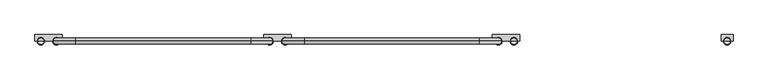
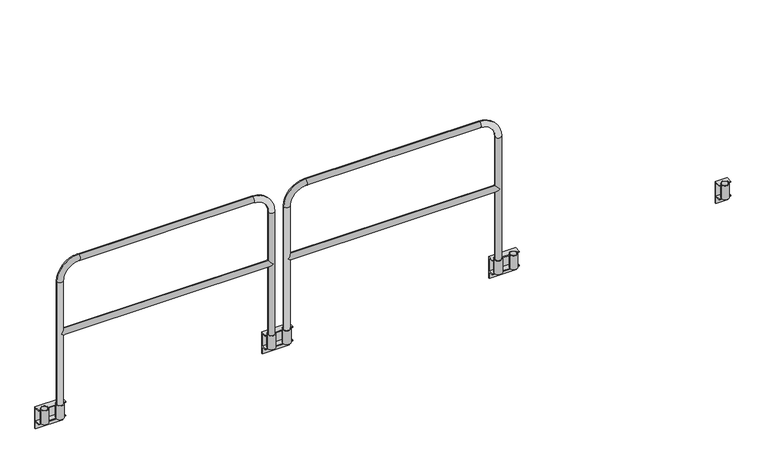
"""IFC4 building model written with IfcOpenShell, lengths in millimetres: railing geometry."""

from ifc_helpers import new_model, si_unit, point, frame, frame_2d, origin, place, context, project, spatial, polyline, circle_curve, ellipse_curve, trimmed, segment, composite_curve, outline, extrude, source, transform, mapped, element, save
from ifc_brep_helpers import plane_surface, cylinder_surface, revolved_surface, advanced_brep


def railing_9913ed40(model_context):
    return source(origin(), model_context, "Body", "SolidModel", [
        advanced_brep(
        [(44917.043726, 15479.1551937, 0.0), (44917.043726, 15479.1551937, -95.25), (44917.043726, 15441.0551937, -95.25), (44917.043726, 15441.0551937, -101.6), (44917.043726, 15479.1551937, -101.6), (44917.043726, 15479.1551937, -152.4), (44917.043726, 15485.5051937, -152.4), (44917.043726, 15485.5051937, 6.35), (44917.043726, 15441.0551937, 6.35), (44917.043726, 15441.0551937, 0.0), (44726.543726, 15479.1551937, 0.0), (44726.543726, 15441.0551937, 0.0), (44726.543726, 15441.0551937, 6.35), (44726.543726, 15485.5051937, 6.35), (44726.543726, 15485.5051937, -152.4), (44726.543726, 15479.1551937, -152.4), (44726.543726, 15479.1551937, -101.6), (44726.543726, 15441.0551937, -101.6), (44726.543726, 15441.0551937, -95.25), (44726.543726, 15479.1551937, -95.25), (44740.9246893, 15441.0551937, 0.0), (44740.9246893, 15441.0551937, 6.35), (44848.6877627, 15441.0551937, 6.35), (44794.8996893, 15441.0551937, 6.35), (44794.8996893, 15441.0551937, 0.0), (44848.6877627, 15441.0551937, 0.0), (44902.6627627, 15441.0551937, 6.35), (44902.6627627, 15441.0551937, 0.0), (44740.9246893, 15441.0551937, -95.25), (44794.8996893, 15441.0551937, -95.25), (44848.6877627, 15441.0551937, -95.25), (44902.6627627, 15441.0551937, -95.25)],
        [
            (0, 1),
            (1, 2),
            (2, 3),
            (3, 4),
            (4, 5),
            (5, 6),
            (6, 7),
            (7, 8),
            (8, 9),
            (9, 0),
            (10, 11),
            (11, 12),
            (12, 13),
            (13, 14),
            (14, 15),
            (15, 16),
            (16, 17),
            (17, 18),
            (18, 19),
            (19, 10),
            (11, 20),
            (20, 21),
            (21, 12),
            (22, 23),
            (23, 24),
            (24, 25),
            (25, 22),
            (8, 26),
            (26, 27),
            (27, 9),
            (7, 13),
            (21, 23, circle_curve(frame((44767.9121893, 15441.0551937, 6.35), z_axis=(0.0, 0.0, -1.0), x_axis=(1.0000000000000002, 0.0, 0.0)), 26.9875)),
            (22, 26, circle_curve(frame((44875.6752627, 15441.0551937, 6.35), z_axis=(0.0, 0.0, -1.0), x_axis=(1.0000000000000002, 0.0, 0.0)), 26.9875)),
            (27, 25, circle_curve(frame((44875.6752627, 15441.0551937, 0.0), z_axis=(0.0, 0.0, 1.0), x_axis=(1.0000000000000002, 0.0, 0.0)), 26.9875)),
            (24, 20, circle_curve(frame((44767.9121893, 15441.0551937, 0.0), z_axis=(0.0, 0.0, 1.0), x_axis=(1.0000000000000002, 0.0, 0.0)), 26.9875)),
            (10, 0),
            (6, 14),
            (1, 19),
            (18, 28),
            (28, 29),
            (29, 30),
            (30, 31),
            (31, 2),
            (17, 3),
            (16, 4),
            (15, 5),
        ],
        [
            plane_surface(frame((44917.043726, 15485.5051937, 0.0), z_axis=(1.0, 0.0, 0.0), x_axis=(0.0, 0.0, 1.0))),
            plane_surface(frame((44726.543726, 15485.5051937, 0.0), z_axis=(-1.0, 0.0, 0.0), x_axis=(0.0, 0.0, 1.0))),
            plane_surface(frame((44917.043726, 15441.0551937, 6.35), z_axis=(0.0, -1.0, 0.0), x_axis=(-1.0, 0.0, 0.0))),
            plane_surface(frame((44917.043726, 15485.5051937, 6.35), z_axis=(0.0, 0.0, 1.0), x_axis=(-1.0, 0.0, 0.0))),
            plane_surface(frame((44917.043726, 15441.0551937, 0.0), z_axis=(0.0, 0.0, -1.0), x_axis=(-1.0, 0.0, 0.0))),
            plane_surface(frame((44917.043726, 15485.5051937, -152.4), z_axis=(0.0, 1.0, 0.0), x_axis=(-1.0, 0.0, 0.0))),
            plane_surface(frame((44917.043726, 15479.1551937, -95.25), z_axis=(0.0, 0.0, 1.0), x_axis=(-1.0, 0.0, 0.0))),
            plane_surface(frame((44917.043726, 15441.0551937, -95.25), z_axis=(0.0, -1.0, 0.0), x_axis=(-1.0, 0.0, 0.0))),
            plane_surface(frame((44917.043726, 15441.0551937, -101.6), z_axis=(0.0, 0.0, -1.0), x_axis=(-1.0, 0.0, 0.0))),
            revolved_surface(polyline([(44794.8996893, 15441.0551937, 6.349999999999994), (44794.8996893, 15441.0551937, 0.0)]), (44767.9121893, 15441.0551937, -95.25), (0.0, 0.0, 1.0)),
            revolved_surface(polyline([(44902.662762700005, 15441.0551937, 6.35), (44902.662762700005, 15441.0551937, 0.0)]), (44875.6752627, 15441.0551937, 0.0), (0.0, 0.0, 1.0)),
            plane_surface(frame((44917.043726, 15479.1551937, -101.6), z_axis=(0.0, -1.0, 0.0), x_axis=(-1.0, 0.0, 0.0))),
            plane_surface(frame((44917.043726, 15479.1551937, -152.4), z_axis=(0.0, 0.0, -1.0), x_axis=(-1.0, 0.0, 0.0))),
            plane_surface(frame((44917.043726, 15479.1551937, 0.0), z_axis=(0.0, -1.0, 0.0), x_axis=(-1.0, 0.0, 0.0))),
        ],
        [
            (0, [[1, 2, 3, 4, 5, 6, 7, 8, 9, 10]]),
            (1, [[11, 12, 13, 14, 15, 16, 17, 18, 19, 20]]),
            (2, [[-12, 21, 22, 23]]),
            (2, [[24, 25, 26, 27]]),
            (2, [[-9, 28, 29, 30]]),
            (3, [[-8, 31, -13, -23, 32, -24, 33, -28]]),
            (4, [[-10, -30, 34, -26, 35, -21, -11, 36]]),
            (5, [[-7, 37, -14, -31]]),
            (6, [[-2, 38, -19, 39, 40, 41, 42, 43]]),
            (7, [[-3, -43, -42, -41, -40, -39, -18, 44]]),
            (8, [[-4, -44, -17, 45]]),
            (9, [[-22, -35, -25, -32]]),
            (10, [[-27, -34, -29, -33]]),
            (11, [[-5, -45, -16, 46]]),
            (12, [[-6, -46, -15, -37]]),
            (13, [[-1, -36, -20, -38]]),
        ],
    ),
        extrude(outline(composite_curve([segment(trimmed(circle_curve(frame_2d((44875.6752627, 15441.0551937)), 26.9875), [point((44848.6877627, 15441.0551937))], [point((44902.6627627, 15441.0551937))], False, "CARTESIAN"), True, "CONTINUOUS"), segment(trimmed(circle_curve(frame_2d((44875.6752627, 15441.0551937)), 26.9875), [point((44902.6627627, 15441.0551937))], [point((44848.6877627, 15441.0551937))], False, "CARTESIAN"), True, "CONTINUOUS")], self_intersect=False), holes=[composite_curve([segment(trimmed(circle_curve(frame_2d((44875.6752627, 15441.0551937)), 20.6375), [point((44855.0377627, 15441.0551937))], [point((44896.3127627, 15441.0551937))], True, "CARTESIAN"), True, "CONTINUOUS"), segment(trimmed(circle_curve(frame_2d((44875.6752627, 15441.0551937)), 20.6375), [point((44896.3127627, 15441.0551937))], [point((44855.0377627, 15441.0551937))], True, "CARTESIAN"), True, "CONTINUOUS")], self_intersect=False)]), frame((0.0, 0.0, -95.25), z_axis=(0.0, 0.0, 1.0), x_axis=(1.0, 0.0, 0.0)), (0.0, 0.0, 1.0), 101.6),
        extrude(outline(composite_curve([segment(trimmed(circle_curve(frame_2d((44767.9121893, 15441.0551937)), 26.9875), [point((44740.9246893, 15441.0551937))], [point((44794.8996893, 15441.0551937))], False, "CARTESIAN"), True, "CONTINUOUS"), segment(trimmed(circle_curve(frame_2d((44767.9121893, 15441.0551937)), 26.9875), [point((44794.8996893, 15441.0551937))], [point((44740.9246893, 15441.0551937))], False, "CARTESIAN"), True, "CONTINUOUS")], self_intersect=False), holes=[composite_curve([segment(trimmed(circle_curve(frame_2d((44767.9121893, 15441.0551937)), 20.6375), [point((44747.2746893, 15441.0551937))], [point((44788.5496893, 15441.0551937))], True, "CARTESIAN"), True, "CONTINUOUS"), segment(trimmed(circle_curve(frame_2d((44767.9121893, 15441.0551937)), 20.6375), [point((44788.5496893, 15441.0551937))], [point((44747.2746893, 15441.0551937))], True, "CARTESIAN"), True, "CONTINUOUS")], self_intersect=False)]), frame((0.0, 0.0, -95.25), z_axis=(0.0, 0.0, 1.0), x_axis=(1.0, 0.0, 0.0)), (0.0, 0.0, 1.0), 101.6),
        advanced_brep(
        [(46317.0317994, 15479.1551937, 0.0), (46317.0317994, 15441.0551937, 0.0), (46317.0317994, 15441.0551937, 6.35), (46317.0317994, 15485.5051937, 6.35), (46317.0317994, 15485.5051937, -152.4), (46317.0317994, 15479.1551937, -152.4), (46317.0317994, 15479.1551937, -101.6), (46317.0317994, 15441.0551937, -101.6), (46317.0317994, 15441.0551937, -95.25), (46317.0317994, 15479.1551937, -95.25), (46507.5317994, 15479.1551937, 0.0), (46507.5317994, 15479.1551937, -95.25), (46507.5317994, 15441.0551937, -95.25), (46507.5317994, 15441.0551937, -101.6), (46507.5317994, 15479.1551937, -101.6), (46507.5317994, 15479.1551937, -152.4), (46507.5317994, 15485.5051937, -152.4), (46507.5317994, 15485.5051937, 6.35), (46507.5317994, 15441.0551937, 6.35), (46507.5317994, 15441.0551937, 0.0), (46331.4127627, 15441.0551937, 0.0), (46331.4127627, 15441.0551937, 6.35), (46493.1508362, 15441.0551937, 6.35), (46493.1508362, 15441.0551937, 0.0), (46385.3877627, 15441.0551937, 6.35), (46385.3877627, 15441.0551937, 0.0), (46439.1758362, 15441.0551937, 0.0), (46439.1758362, 15441.0551937, 6.35), (46331.4127627, 15441.0551937, -95.25), (46385.3877627, 15441.0551937, -95.25), (46439.1758362, 15441.0551937, -95.25), (46493.1508362, 15441.0551937, -95.25)],
        [
            (0, 1),
            (1, 2),
            (2, 3),
            (3, 4),
            (4, 5),
            (5, 6),
            (6, 7),
            (7, 8),
            (8, 9),
            (9, 0),
            (10, 11),
            (11, 12),
            (12, 13),
            (13, 14),
            (14, 15),
            (15, 16),
            (16, 17),
            (17, 18),
            (18, 19),
            (19, 10),
            (1, 20),
            (20, 21),
            (21, 2),
            (18, 22),
            (22, 23),
            (23, 19),
            (24, 25),
            (25, 26),
            (26, 27),
            (27, 24),
            (21, 24, circle_curve(frame((46358.4002627, 15441.0551937, 6.35), z_axis=(0.0, 0.0, -1.0), x_axis=(-1.0000000000000002, 0.0, 0.0)), 26.9875)),
            (27, 22, circle_curve(frame((46466.1633362, 15441.0551937, 6.35), z_axis=(0.0, 0.0, -1.0), x_axis=(-1.0000000000000002, 0.0, 0.0)), 26.9875)),
            (17, 3),
            (0, 10),
            (23, 26, circle_curve(frame((46466.1633362, 15441.0551937, 0.0), z_axis=(0.0, 0.0, 1.0), x_axis=(-1.0000000000000002, 0.0, 0.0)), 26.9875)),
            (25, 20, circle_curve(frame((46358.4002627, 15441.0551937, 0.0), z_axis=(0.0, 0.0, 1.0), x_axis=(-1.0000000000000002, 0.0, 0.0)), 26.9875)),
            (16, 4),
            (8, 28),
            (28, 29),
            (29, 30),
            (30, 31),
            (31, 12),
            (11, 9),
            (7, 13),
            (6, 14),
            (5, 15),
        ],
        [
            plane_surface(frame((46317.0317994, 15485.5051937, 0.0), z_axis=(-1.0, 0.0, 0.0), x_axis=(0.0, 0.0, 1.0))),
            plane_surface(frame((46507.5317994, 15485.5051937, 0.0), z_axis=(1.0, 0.0, 0.0), x_axis=(0.0, 0.0, 1.0))),
            plane_surface(frame((46317.0317994, 15441.0551937, 6.35), z_axis=(0.0, -1.0, 0.0), x_axis=(1.0, 0.0, 0.0))),
            plane_surface(frame((46317.0317994, 15485.5051937, 6.35), z_axis=(0.0, 0.0, 1.0), x_axis=(1.0, 0.0, 0.0))),
            plane_surface(frame((46317.0317994, 15441.0551937, 0.0), z_axis=(0.0, 0.0, -1.0), x_axis=(1.0, 0.0, 0.0))),
            plane_surface(frame((46317.0317994, 15485.5051937, -152.4), z_axis=(0.0, 1.0, 0.0), x_axis=(1.0, 0.0, 0.0))),
            plane_surface(frame((46317.0317994, 15479.1551937, -95.25), z_axis=(0.0, 0.0, 1.0), x_axis=(1.0, 0.0, 0.0))),
            plane_surface(frame((46317.0317994, 15441.0551937, -95.25), z_axis=(0.0, -1.0, 0.0), x_axis=(1.0, 0.0, 0.0))),
            plane_surface(frame((46317.0317994, 15441.0551937, -101.6), z_axis=(0.0, 0.0, -1.0), x_axis=(1.0, 0.0, 0.0))),
            revolved_surface(polyline([(46439.1758362, 15441.0551937, 6.349999999999994), (46439.1758362, 15441.0551937, 0.0)]), (46466.1633362, 15441.0551937, -95.25), (0.0, 0.0, 1.0)),
            revolved_surface(polyline([(46331.4127627, 15441.0551937, 6.35), (46331.4127627, 15441.0551937, 0.0)]), (46358.4002627, 15441.0551937, 0.0), (0.0, 0.0, 1.0)),
            plane_surface(frame((46317.0317994, 15479.1551937, -101.6), z_axis=(0.0, -1.0, 0.0), x_axis=(1.0, 0.0, 0.0))),
            plane_surface(frame((46317.0317994, 15479.1551937, -152.4), z_axis=(0.0, 0.0, -1.0), x_axis=(1.0, 0.0, 0.0))),
            plane_surface(frame((46317.0317994, 15479.1551937, 0.0), z_axis=(0.0, -1.0, 0.0), x_axis=(1.0, 0.0, 0.0))),
        ],
        [
            (0, [[1, 2, 3, 4, 5, 6, 7, 8, 9, 10]]),
            (1, [[11, 12, 13, 14, 15, 16, 17, 18, 19, 20]]),
            (2, [[21, 22, 23, -2]]),
            (2, [[24, 25, 26, -19]]),
            (2, [[27, 28, 29, 30]]),
            (3, [[-23, 31, -30, 32, -24, -18, 33, -3]]),
            (4, [[34, -20, -26, 35, -28, 36, -21, -1]]),
            (5, [[-33, -17, 37, -4]]),
            (6, [[38, 39, 40, 41, 42, -12, 43, -9]]),
            (7, [[44, -13, -42, -41, -40, -39, -38, -8]]),
            (8, [[45, -14, -44, -7]]),
            (9, [[-32, -29, -35, -25]]),
            (10, [[-31, -22, -36, -27]]),
            (11, [[46, -15, -45, -6]]),
            (12, [[-37, -16, -46, -5]]),
            (13, [[-43, -11, -34, -10]]),
        ],
    ),
        extrude(outline(composite_curve([segment(trimmed(circle_curve(frame_2d((46358.4002627, 15441.0551937)), 26.9875), [point((46385.3877627, 15441.0551937))], [point((46331.4127627, 15441.0551937))], False, "CARTESIAN"), True, "CONTINUOUS"), segment(trimmed(circle_curve(frame_2d((46358.4002627, 15441.0551937)), 26.9875), [point((46331.4127627, 15441.0551937))], [point((46385.3877627, 15441.0551937))], False, "CARTESIAN"), True, "CONTINUOUS")], self_intersect=False), holes=[composite_curve([segment(trimmed(circle_curve(frame_2d((46358.4002627, 15441.0551937)), 20.6375), [point((46379.0377627, 15441.0551937))], [point((46337.7627627, 15441.0551937))], True, "CARTESIAN"), True, "CONTINUOUS"), segment(trimmed(circle_curve(frame_2d((46358.4002627, 15441.0551937)), 20.6375), [point((46337.7627627, 15441.0551937))], [point((46379.0377627, 15441.0551937))], True, "CARTESIAN"), True, "CONTINUOUS")], self_intersect=False)]), frame((0.0, 0.0, -95.25), z_axis=(0.0, 0.0, 1.0), x_axis=(1.0, 0.0, 0.0)), (0.0, 0.0, 1.0), 101.6),
        extrude(outline(composite_curve([segment(trimmed(circle_curve(frame_2d((46466.1633362, 15441.0551937)), 26.9875), [point((46493.1508362, 15441.0551937))], [point((46439.1758362, 15441.0551937))], False, "CARTESIAN"), True, "CONTINUOUS"), segment(trimmed(circle_curve(frame_2d((46466.1633362, 15441.0551937)), 26.9875), [point((46439.1758362, 15441.0551937))], [point((46493.1508362, 15441.0551937))], False, "CARTESIAN"), True, "CONTINUOUS")], self_intersect=False), holes=[composite_curve([segment(trimmed(circle_curve(frame_2d((46466.1633362, 15441.0551937)), 20.6375), [point((46486.8008362, 15441.0551937))], [point((46445.5258362, 15441.0551937))], True, "CARTESIAN"), True, "CONTINUOUS"), segment(trimmed(circle_curve(frame_2d((46466.1633362, 15441.0551937)), 20.6375), [point((46445.5258362, 15441.0551937))], [point((46486.8008362, 15441.0551937))], True, "CARTESIAN"), True, "CONTINUOUS")], self_intersect=False)]), frame((0.0, 0.0, -95.25), z_axis=(0.0, 0.0, 1.0), x_axis=(1.0, 0.0, 0.0)), (0.0, 0.0, 1.0), 101.6),
        advanced_brep(
        [(44896.3127627, 15441.0551937, 554.0375), (44875.6752627, 15420.4176937, 533.4), (44896.3127627, 15441.0551937, 512.7625), (46337.7627627, 15441.0551937, 512.7625), (46358.4002627, 15420.4176937, 533.4), (46337.7627627, 15441.0551937, 554.0375), (46358.4002627, 15461.6926937, 533.4), (44875.6752627, 15461.6926937, 533.4), (44855.0377627, 15441.0551937, -95.25), (44896.3127627, 15441.0551937, -95.25), (44896.3127627, 15441.0551937, 914.4), (44855.0377627, 15441.0551937, 914.4), (45007.4377627, 15441.0551937, 1025.525), (45007.4377627, 15441.0551937, 1066.8), (46226.6377627, 15441.0551937, 1025.525), (46226.6377627, 15441.0551937, 1066.8), (46337.7627627, 15441.0551937, 914.4), (46379.0377627, 15441.0551937, 914.4), (46379.0377627, 15441.0551937, -95.25), (46337.7627627, 15441.0551937, -95.25)],
        [
            (0, 1, ellipse_curve(frame((44875.6752627, 15441.0551937, 533.4), z_axis=(0.7071067811865475, 0.0, -0.7071067811865475), x_axis=(-0.7071067811865476, 0.0, -0.7071067811865474)), 29.1858324, 20.6375)),
            (1, 2, ellipse_curve(frame((44875.6752627, 15441.0551937, 533.4), z_axis=(0.7071067811865475, 0.0, 0.7071067811865475), x_axis=(-0.7071067811865476, 0.0, 0.7071067811865474)), 29.1858324, 20.6375)),
            (2, 3),
            (3, 4, ellipse_curve(frame((46358.4002627, 15441.0551937, 533.4), z_axis=(-0.7071067811865475, 0.0, 0.7071067811865475), x_axis=(-0.7071067811865476, 0.0, -0.7071067811865474)), 29.1858324, 20.6375)),
            (4, 5, ellipse_curve(frame((46358.4002627, 15441.0551937, 533.4), z_axis=(-0.7071067811865475, 0.0, -0.7071067811865475), x_axis=(-0.7071067811865476, 0.0, 0.7071067811865474)), 29.1858324, 20.6375)),
            (5, 0),
            (5, 6, ellipse_curve(frame((46358.4002627, 15441.0551937, 533.4), z_axis=(-0.7071067811865475, 0.0, -0.7071067811865475), x_axis=(-0.7071067811865476, 0.0, 0.7071067811865474)), 29.1858324, 20.6375)),
            (6, 3, ellipse_curve(frame((46358.4002627, 15441.0551937, 533.4), z_axis=(-0.7071067811865475, 0.0, 0.7071067811865475), x_axis=(-0.7071067811865476, 0.0, -0.7071067811865474)), 29.1858324, 20.6375)),
            (2, 7, ellipse_curve(frame((44875.6752627, 15441.0551937, 533.4), z_axis=(0.7071067811865475, 0.0, 0.7071067811865475), x_axis=(-0.7071067811865476, 0.0, 0.7071067811865474)), 29.1858324, 20.6375)),
            (7, 0, ellipse_curve(frame((44875.6752627, 15441.0551937, 533.4), z_axis=(0.7071067811865475, 0.0, -0.7071067811865475), x_axis=(-0.7071067811865476, 0.0, -0.7071067811865474)), 29.1858324, 20.6375)),
            (8, 9, circle_curve(frame((44875.6752627, 15441.0551937, -95.25), z_axis=(0.0, 0.0, -1.0), x_axis=(1.0, 0.0, 0.0)), 20.6375)),
            (9, 8, circle_curve(frame((44875.6752627, 15441.0551937, -95.25), z_axis=(0.0, 0.0, -1.0), x_axis=(1.0, 0.0, 0.0)), 20.6375)),
            (9, 2),
            (0, 10),
            (10, 11, circle_curve(frame((44875.6752627, 15441.0551937, 914.4), z_axis=(0.0, 0.0, -1.0), x_axis=(1.0, 0.0, 0.0)), 20.6375)),
            (11, 8),
            (11, 10, circle_curve(frame((44875.6752627, 15441.0551937, 914.4), z_axis=(0.0, 0.0, -1.0), x_axis=(1.0, 0.0, 0.0)), 20.6375)),
            (10, 12, circle_curve(frame((45007.4377627, 15441.0551937, 914.4), z_axis=(0.0, 1.0, 0.0), x_axis=(-1.0, 0.0, 0.0)), 111.125)),
            (12, 13, circle_curve(frame((45007.4377627, 15441.0551937, 1046.1625), z_axis=(-1.0, 0.0, 0.0), x_axis=(0.0, 0.0, -1.0)), 20.6375)),
            (13, 11, circle_curve(frame((45007.4377627, 15441.0551937, 914.4), z_axis=(0.0, -1.0, 0.0), x_axis=(-1.0, 0.0, 0.0)), 152.4)),
            (13, 12, circle_curve(frame((45007.4377627, 15441.0551937, 1046.1625), z_axis=(-1.0, 0.0, 0.0), x_axis=(0.0, 0.0, -1.0)), 20.6375)),
            (12, 14),
            (14, 15, circle_curve(frame((46226.6377627, 15441.0551937, 1046.1625), z_axis=(-1.0, 0.0, 0.0), x_axis=(0.0, 0.0, -1.0)), 20.6375)),
            (15, 13),
            (15, 14, circle_curve(frame((46226.6377627, 15441.0551937, 1046.1625), z_axis=(-1.0, 0.0, 0.0), x_axis=(0.0, 0.0, -1.0)), 20.6375)),
            (14, 16, circle_curve(frame((46226.6377627, 15441.0551937, 914.4), z_axis=(0.0, 1.0, 0.0), x_axis=(0.0, 0.0, 1.0)), 111.125)),
            (16, 17, circle_curve(frame((46358.4002627, 15441.0551937, 914.4), z_axis=(0.0, 0.0, 1.0), x_axis=(-1.0, 0.0, 0.0)), 20.6375)),
            (17, 15, circle_curve(frame((46226.6377627, 15441.0551937, 914.4), z_axis=(0.0, -1.0, 0.0), x_axis=(0.0, 0.0, 1.0)), 152.4)),
            (17, 16, circle_curve(frame((46358.4002627, 15441.0551937, 914.4), z_axis=(0.0, 0.0, 1.0), x_axis=(-1.0, 0.0, 0.0)), 20.6375)),
            (18, 19, circle_curve(frame((46358.4002627, 15441.0551937, -95.25), z_axis=(0.0, 0.0, -1.0), x_axis=(-1.0, 0.0, 0.0)), 20.6375)),
            (19, 18, circle_curve(frame((46358.4002627, 15441.0551937, -95.25), z_axis=(0.0, 0.0, -1.0), x_axis=(-1.0, 0.0, 0.0)), 20.6375)),
            (16, 5),
            (3, 19),
            (18, 17),
        ],
        [
            cylinder_surface(frame((44875.6752627, 15441.0551937, 533.4), z_axis=(-1.0, 0.0, 0.0), x_axis=(0.0, 0.0, -1.0)), 20.6375),
            plane_surface(frame((44855.0377627, 15441.0551937, -95.25), z_axis=(0.0, 0.0, -1.0), x_axis=(0.0, -1.0, 0.0))),
            cylinder_surface(frame((44875.6752627, 15441.0551937, -95.25), z_axis=(0.0, 0.0, -1.0), x_axis=(1.0, 0.0, 0.0)), 20.6375),
            revolved_surface(trimmed(ellipse_curve(frame((44875.6752627, 15441.0551937, 914.4), z_axis=(0.0, 0.0, 1.0), x_axis=(1.0, 0.0, 0.0)), 20.6375, 20.6375), [point((44855.0377627, 15441.0551937, 914.4))], [point((44896.3127627, 15441.0551937, 914.4))], True, "CARTESIAN"), (45007.4377627, 15441.0551937, 914.4), (0.0, -1.0, 0.0)),
            revolved_surface(trimmed(ellipse_curve(frame((44875.6752627, 15441.0551937, 914.4), z_axis=(0.0, 0.0, 1.0), x_axis=(1.0, 0.0, 0.0)), 20.6375, 20.6375), [point((44896.3127627, 15441.0551937, 914.4))], [point((44855.0377627, 15441.0551937, 914.4))], True, "CARTESIAN"), (45007.4377627, 15441.0551937, 914.4), (0.0, -1.0, 0.0)),
            cylinder_surface(frame((45007.4377627, 15441.0551937, 1046.1625), z_axis=(-1.0, 0.0, 0.0), x_axis=(0.0, 0.0, -1.0)), 20.6375),
            revolved_surface(trimmed(ellipse_curve(frame((46226.6377627, 15441.0551937, 1046.1625), z_axis=(1.0, 0.0, 0.0), x_axis=(0.0, 0.0, -1.0)), 20.6375, 20.6375), [point((46226.6377627, 15441.0551937, 1066.8))], [point((46226.6377627, 15441.0551937, 1025.525))], True, "CARTESIAN"), (46226.6377627, 15441.0551937, 914.4), (0.0, -1.0, 0.0)),
            revolved_surface(trimmed(ellipse_curve(frame((46226.6377627, 15441.0551937, 1046.1625), z_axis=(1.0, 0.0, 0.0), x_axis=(0.0, 0.0, -1.0)), 20.6375, 20.6375), [point((46226.6377627, 15441.0551937, 1025.525))], [point((46226.6377627, 15441.0551937, 1066.8))], True, "CARTESIAN"), (46226.6377627, 15441.0551937, 914.4), (0.0, -1.0, 0.0)),
            plane_surface(frame((46379.0377627, 15441.0551937, -95.25), z_axis=(0.0, 0.0, -1.0), x_axis=(0.0, -1.0, 0.0))),
            cylinder_surface(frame((46358.4002627, 15441.0551937, 914.4), z_axis=(0.0, 0.0, 1.0), x_axis=(-1.0, 0.0, 0.0)), 20.6375),
        ],
        [
            (0, [[1, 2, 3, 4, 5, 6]]),
            (0, [[7, 8, -3, 9, 10, -6]]),
            (1, [[11, 12]]),
            (2, [[13, -2, -1, 14, 15, 16, -12]]),
            (2, [[-16, 17, -14, -10, -9, -13, -11]]),
            (3, [[18, 19, 20, -15]]),
            (4, [[-20, 21, -18, -17]]),
            (5, [[22, 23, 24, -19]]),
            (5, [[-24, 25, -22, -21]]),
            (6, [[26, 27, 28, -23]]),
            (7, [[-28, 29, -26, -25]]),
            (8, [[30, 31]]),
            (9, [[32, -5, -4, 33, -30, 34, -27]]),
            (9, [[-34, -31, -33, -8, -7, -32, -29]]),
        ],
    ),
        advanced_brep(
        [(43326.5671635, 15479.1551937, 0.0), (43326.5671635, 15479.1551937, -95.25), (43326.5671635, 15441.0551937, -95.25), (43326.5671635, 15441.0551937, -101.6), (43326.5671635, 15479.1551937, -101.6), (43326.5671635, 15479.1551937, -152.4), (43326.5671635, 15485.5051937, -152.4), (43326.5671635, 15485.5051937, 6.35), (43326.5671635, 15441.0551937, 6.35), (43326.5671635, 15441.0551937, 0.0), (43136.0671635, 15479.1551937, 0.0), (43136.0671635, 15441.0551937, 0.0), (43136.0671635, 15441.0551937, 6.35), (43136.0671635, 15485.5051937, 6.35), (43136.0671635, 15485.5051937, -152.4), (43136.0671635, 15479.1551937, -152.4), (43136.0671635, 15479.1551937, -101.6), (43136.0671635, 15441.0551937, -101.6), (43136.0671635, 15441.0551937, -95.25), (43136.0671635, 15479.1551937, -95.25), (43150.4481268, 15441.0551937, 0.0), (43150.4481268, 15441.0551937, 6.35), (43258.2112002, 15441.0551937, 6.35), (43204.4231268, 15441.0551937, 6.35), (43204.4231268, 15441.0551937, 0.0), (43258.2112002, 15441.0551937, 0.0), (43312.1862002, 15441.0551937, 6.35), (43312.1862002, 15441.0551937, 0.0), (43150.4481268, 15441.0551937, -95.25), (43204.4231268, 15441.0551937, -95.25), (43258.2112002, 15441.0551937, -95.25), (43312.1862002, 15441.0551937, -95.25)],
        [
            (0, 1),
            (1, 2),
            (2, 3),
            (3, 4),
            (4, 5),
            (5, 6),
            (6, 7),
            (7, 8),
            (8, 9),
            (9, 0),
            (10, 11),
            (11, 12),
            (12, 13),
            (13, 14),
            (14, 15),
            (15, 16),
            (16, 17),
            (17, 18),
            (18, 19),
            (19, 10),
            (11, 20),
            (20, 21),
            (21, 12),
            (22, 23),
            (23, 24),
            (24, 25),
            (25, 22),
            (8, 26),
            (26, 27),
            (27, 9),
            (7, 13),
            (21, 23, circle_curve(frame((43177.4356268, 15441.0551937, 6.35), z_axis=(0.0, 0.0, -1.0), x_axis=(1.0000000000000002, 0.0, 0.0)), 26.9875)),
            (22, 26, circle_curve(frame((43285.1987002, 15441.0551937, 6.35), z_axis=(0.0, 0.0, -1.0), x_axis=(1.0000000000000002, 0.0, 0.0)), 26.9875)),
            (27, 25, circle_curve(frame((43285.1987002, 15441.0551937, 0.0), z_axis=(0.0, 0.0, 1.0), x_axis=(1.0000000000000002, 0.0, 0.0)), 26.9875)),
            (24, 20, circle_curve(frame((43177.4356268, 15441.0551937, 0.0), z_axis=(0.0, 0.0, 1.0), x_axis=(1.0000000000000002, 0.0, 0.0)), 26.9875)),
            (10, 0),
            (6, 14),
            (1, 19),
            (18, 28),
            (28, 29),
            (29, 30),
            (30, 31),
            (31, 2),
            (17, 3),
            (16, 4),
            (15, 5),
        ],
        [
            plane_surface(frame((43326.5671635, 15485.5051937, 0.0), z_axis=(1.0, 0.0, 0.0), x_axis=(0.0, 0.0, 1.0))),
            plane_surface(frame((43136.0671635, 15485.5051937, 0.0), z_axis=(-1.0, 0.0, 0.0), x_axis=(0.0, 0.0, 1.0))),
            plane_surface(frame((43326.5671635, 15441.0551937, 6.35), z_axis=(0.0, -1.0, 0.0), x_axis=(-1.0, 0.0, 0.0))),
            plane_surface(frame((43326.5671635, 15485.5051937, 6.35), z_axis=(0.0, 0.0, 1.0), x_axis=(-1.0, 0.0, 0.0))),
            plane_surface(frame((43326.5671635, 15441.0551937, 0.0), z_axis=(0.0, 0.0, -1.0), x_axis=(-1.0, 0.0, 0.0))),
            plane_surface(frame((43326.5671635, 15485.5051937, -152.4), z_axis=(0.0, 1.0, 0.0), x_axis=(-1.0, 0.0, 0.0))),
            plane_surface(frame((43326.5671635, 15479.1551937, -95.25), z_axis=(0.0, 0.0, 1.0), x_axis=(-1.0, 0.0, 0.0))),
            plane_surface(frame((43326.5671635, 15441.0551937, -95.25), z_axis=(0.0, -1.0, 0.0), x_axis=(-1.0, 0.0, 0.0))),
            plane_surface(frame((43326.5671635, 15441.0551937, -101.6), z_axis=(0.0, 0.0, -1.0), x_axis=(-1.0, 0.0, 0.0))),
            revolved_surface(polyline([(43204.4231268, 15441.0551937, 6.349999999999994), (43204.4231268, 15441.0551937, 0.0)]), (43177.4356268, 15441.0551937, -95.25), (0.0, 0.0, 1.0)),
            revolved_surface(polyline([(43312.186200200005, 15441.0551937, 6.35), (43312.186200200005, 15441.0551937, 0.0)]), (43285.1987002, 15441.0551937, 0.0), (0.0, 0.0, 1.0)),
            plane_surface(frame((43326.5671635, 15479.1551937, -101.6), z_axis=(0.0, -1.0, 0.0), x_axis=(-1.0, 0.0, 0.0))),
            plane_surface(frame((43326.5671635, 15479.1551937, -152.4), z_axis=(0.0, 0.0, -1.0), x_axis=(-1.0, 0.0, 0.0))),
            plane_surface(frame((43326.5671635, 15479.1551937, 0.0), z_axis=(0.0, -1.0, 0.0), x_axis=(-1.0, 0.0, 0.0))),
        ],
        [
            (0, [[1, 2, 3, 4, 5, 6, 7, 8, 9, 10]]),
            (1, [[11, 12, 13, 14, 15, 16, 17, 18, 19, 20]]),
            (2, [[-12, 21, 22, 23]]),
            (2, [[24, 25, 26, 27]]),
            (2, [[-9, 28, 29, 30]]),
            (3, [[-8, 31, -13, -23, 32, -24, 33, -28]]),
            (4, [[-10, -30, 34, -26, 35, -21, -11, 36]]),
            (5, [[-7, 37, -14, -31]]),
            (6, [[-2, 38, -19, 39, 40, 41, 42, 43]]),
            (7, [[-3, -43, -42, -41, -40, -39, -18, 44]]),
            (8, [[-4, -44, -17, 45]]),
            (9, [[-22, -35, -25, -32]]),
            (10, [[-27, -34, -29, -33]]),
            (11, [[-5, -45, -16, 46]]),
            (12, [[-6, -46, -15, -37]]),
            (13, [[-1, -36, -20, -38]]),
        ],
    ),
        extrude(outline(composite_curve([segment(trimmed(circle_curve(frame_2d((43285.1987002, 15441.0551937)), 26.9875), [point((43258.2112002, 15441.0551937))], [point((43312.1862002, 15441.0551937))], False, "CARTESIAN"), True, "CONTINUOUS"), segment(trimmed(circle_curve(frame_2d((43285.1987002, 15441.0551937)), 26.9875), [point((43312.1862002, 15441.0551937))], [point((43258.2112002, 15441.0551937))], False, "CARTESIAN"), True, "CONTINUOUS")], self_intersect=False), holes=[composite_curve([segment(trimmed(circle_curve(frame_2d((43285.1987002, 15441.0551937)), 20.6375), [point((43264.5612002, 15441.0551937))], [point((43305.8362002, 15441.0551937))], True, "CARTESIAN"), True, "CONTINUOUS"), segment(trimmed(circle_curve(frame_2d((43285.1987002, 15441.0551937)), 20.6375), [point((43305.8362002, 15441.0551937))], [point((43264.5612002, 15441.0551937))], True, "CARTESIAN"), True, "CONTINUOUS")], self_intersect=False)]), frame((0.0, 0.0, -95.25), z_axis=(0.0, 0.0, 1.0), x_axis=(1.0, 0.0, 0.0)), (0.0, 0.0, 1.0), 101.6),
        extrude(outline(composite_curve([segment(trimmed(circle_curve(frame_2d((43177.4356268, 15441.0551937)), 26.9875), [point((43150.4481268, 15441.0551937))], [point((43204.4231268, 15441.0551937))], False, "CARTESIAN"), True, "CONTINUOUS"), segment(trimmed(circle_curve(frame_2d((43177.4356268, 15441.0551937)), 26.9875), [point((43204.4231268, 15441.0551937))], [point((43150.4481268, 15441.0551937))], False, "CARTESIAN"), True, "CONTINUOUS")], self_intersect=False), holes=[composite_curve([segment(trimmed(circle_curve(frame_2d((43177.4356268, 15441.0551937)), 20.6375), [point((43156.7981268, 15441.0551937))], [point((43198.0731268, 15441.0551937))], True, "CARTESIAN"), True, "CONTINUOUS"), segment(trimmed(circle_curve(frame_2d((43177.4356268, 15441.0551937)), 20.6375), [point((43198.0731268, 15441.0551937))], [point((43156.7981268, 15441.0551937))], True, "CARTESIAN"), True, "CONTINUOUS")], self_intersect=False)]), frame((0.0, 0.0, -95.25), z_axis=(0.0, 0.0, 1.0), x_axis=(1.0, 0.0, 0.0)), (0.0, 0.0, 1.0), 101.6),
        advanced_brep(
        [(44726.5552369, 15479.1551937, 0.0), (44726.5552369, 15441.0551937, 0.0), (44726.5552369, 15441.0551937, 6.35), (44726.5552369, 15485.5051937, 6.35), (44726.5552369, 15485.5051937, -152.4), (44726.5552369, 15479.1551937, -152.4), (44726.5552369, 15479.1551937, -101.6), (44726.5552369, 15441.0551937, -101.6), (44726.5552369, 15441.0551937, -95.25), (44726.5552369, 15479.1551937, -95.25), (44917.0552369, 15479.1551937, 0.0), (44917.0552369, 15479.1551937, -95.25), (44917.0552369, 15441.0551937, -95.25), (44917.0552369, 15441.0551937, -101.6), (44917.0552369, 15479.1551937, -101.6), (44917.0552369, 15479.1551937, -152.4), (44917.0552369, 15485.5051937, -152.4), (44917.0552369, 15485.5051937, 6.35), (44917.0552369, 15441.0551937, 6.35), (44917.0552369, 15441.0551937, 0.0), (44740.9362002, 15441.0551937, 0.0), (44740.9362002, 15441.0551937, 6.35), (44902.6742737, 15441.0551937, 6.35), (44902.6742737, 15441.0551937, 0.0), (44794.9112002, 15441.0551937, 6.35), (44794.9112002, 15441.0551937, 0.0), (44848.6992737, 15441.0551937, 0.0), (44848.6992737, 15441.0551937, 6.35), (44740.9362002, 15441.0551937, -95.25), (44794.9112002, 15441.0551937, -95.25), (44848.6992737, 15441.0551937, -95.25), (44902.6742737, 15441.0551937, -95.25)],
        [
            (0, 1),
            (1, 2),
            (2, 3),
            (3, 4),
            (4, 5),
            (5, 6),
            (6, 7),
            (7, 8),
            (8, 9),
            (9, 0),
            (10, 11),
            (11, 12),
            (12, 13),
            (13, 14),
            (14, 15),
            (15, 16),
            (16, 17),
            (17, 18),
            (18, 19),
            (19, 10),
            (1, 20),
            (20, 21),
            (21, 2),
            (18, 22),
            (22, 23),
            (23, 19),
            (24, 25),
            (25, 26),
            (26, 27),
            (27, 24),
            (21, 24, circle_curve(frame((44767.9237002, 15441.0551937, 6.35), z_axis=(0.0, 0.0, -1.0), x_axis=(-1.0000000000000002, 0.0, 0.0)), 26.9875)),
            (27, 22, circle_curve(frame((44875.6867737, 15441.0551937, 6.35), z_axis=(0.0, 0.0, -1.0), x_axis=(-1.0000000000000002, 0.0, 0.0)), 26.9875)),
            (17, 3),
            (0, 10),
            (23, 26, circle_curve(frame((44875.6867737, 15441.0551937, 0.0), z_axis=(0.0, 0.0, 1.0), x_axis=(-1.0000000000000002, 0.0, 0.0)), 26.9875)),
            (25, 20, circle_curve(frame((44767.9237002, 15441.0551937, 0.0), z_axis=(0.0, 0.0, 1.0), x_axis=(-1.0000000000000002, 0.0, 0.0)), 26.9875)),
            (16, 4),
            (8, 28),
            (28, 29),
            (29, 30),
            (30, 31),
            (31, 12),
            (11, 9),
            (7, 13),
            (6, 14),
            (5, 15),
        ],
        [
            plane_surface(frame((44726.5552369, 15485.5051937, 0.0), z_axis=(-1.0, 0.0, 0.0), x_axis=(0.0, 0.0, 1.0))),
            plane_surface(frame((44917.0552369, 15485.5051937, 0.0), z_axis=(1.0, 0.0, 0.0), x_axis=(0.0, 0.0, 1.0))),
            plane_surface(frame((44726.5552369, 15441.0551937, 6.35), z_axis=(0.0, -1.0, 0.0), x_axis=(1.0, 0.0, 0.0))),
            plane_surface(frame((44726.5552369, 15485.5051937, 6.35), z_axis=(0.0, 0.0, 1.0), x_axis=(1.0, 0.0, 0.0))),
            plane_surface(frame((44726.5552369, 15441.0551937, 0.0), z_axis=(0.0, 0.0, -1.0), x_axis=(1.0, 0.0, 0.0))),
            plane_surface(frame((44726.5552369, 15485.5051937, -152.4), z_axis=(0.0, 1.0, 0.0), x_axis=(1.0, 0.0, 0.0))),
            plane_surface(frame((44726.5552369, 15479.1551937, -95.25), z_axis=(0.0, 0.0, 1.0), x_axis=(1.0, 0.0, 0.0))),
            plane_surface(frame((44726.5552369, 15441.0551937, -95.25), z_axis=(0.0, -1.0, 0.0), x_axis=(1.0, 0.0, 0.0))),
            plane_surface(frame((44726.5552369, 15441.0551937, -101.6), z_axis=(0.0, 0.0, -1.0), x_axis=(1.0, 0.0, 0.0))),
            revolved_surface(polyline([(44848.6992737, 15441.0551937, 6.349999999999994), (44848.6992737, 15441.0551937, 0.0)]), (44875.6867737, 15441.0551937, -95.25), (0.0, 0.0, 1.0)),
            revolved_surface(polyline([(44740.9362002, 15441.0551937, 6.35), (44740.9362002, 15441.0551937, 0.0)]), (44767.9237002, 15441.0551937, 0.0), (0.0, 0.0, 1.0)),
            plane_surface(frame((44726.5552369, 15479.1551937, -101.6), z_axis=(0.0, -1.0, 0.0), x_axis=(1.0, 0.0, 0.0))),
            plane_surface(frame((44726.5552369, 15479.1551937, -152.4), z_axis=(0.0, 0.0, -1.0), x_axis=(1.0, 0.0, 0.0))),
            plane_surface(frame((44726.5552369, 15479.1551937, 0.0), z_axis=(0.0, -1.0, 0.0), x_axis=(1.0, 0.0, 0.0))),
        ],
        [
            (0, [[1, 2, 3, 4, 5, 6, 7, 8, 9, 10]]),
            (1, [[11, 12, 13, 14, 15, 16, 17, 18, 19, 20]]),
            (2, [[21, 22, 23, -2]]),
            (2, [[24, 25, 26, -19]]),
            (2, [[27, 28, 29, 30]]),
            (3, [[-23, 31, -30, 32, -24, -18, 33, -3]]),
            (4, [[34, -20, -26, 35, -28, 36, -21, -1]]),
            (5, [[-33, -17, 37, -4]]),
            (6, [[38, 39, 40, 41, 42, -12, 43, -9]]),
            (7, [[44, -13, -42, -41, -40, -39, -38, -8]]),
            (8, [[45, -14, -44, -7]]),
            (9, [[-32, -29, -35, -25]]),
            (10, [[-31, -22, -36, -27]]),
            (11, [[46, -15, -45, -6]]),
            (12, [[-37, -16, -46, -5]]),
            (13, [[-43, -11, -34, -10]]),
        ],
    ),
        extrude(outline(composite_curve([segment(trimmed(circle_curve(frame_2d((44767.9237002, 15441.0551937)), 26.9875), [point((44794.9112002, 15441.0551937))], [point((44740.9362002, 15441.0551937))], False, "CARTESIAN"), True, "CONTINUOUS"), segment(trimmed(circle_curve(frame_2d((44767.9237002, 15441.0551937)), 26.9875), [point((44740.9362002, 15441.0551937))], [point((44794.9112002, 15441.0551937))], False, "CARTESIAN"), True, "CONTINUOUS")], self_intersect=False), holes=[composite_curve([segment(trimmed(circle_curve(frame_2d((44767.9237002, 15441.0551937)), 20.6375), [point((44788.5612002, 15441.0551937))], [point((44747.2862002, 15441.0551937))], True, "CARTESIAN"), True, "CONTINUOUS"), segment(trimmed(circle_curve(frame_2d((44767.9237002, 15441.0551937)), 20.6375), [point((44747.2862002, 15441.0551937))], [point((44788.5612002, 15441.0551937))], True, "CARTESIAN"), True, "CONTINUOUS")], self_intersect=False)]), frame((0.0, 0.0, -95.25), z_axis=(0.0, 0.0, 1.0), x_axis=(1.0, 0.0, 0.0)), (0.0, 0.0, 1.0), 101.6),
        extrude(outline(composite_curve([segment(trimmed(circle_curve(frame_2d((44875.6867737, 15441.0551937)), 26.9875), [point((44902.6742737, 15441.0551937))], [point((44848.6992737, 15441.0551937))], False, "CARTESIAN"), True, "CONTINUOUS"), segment(trimmed(circle_curve(frame_2d((44875.6867737, 15441.0551937)), 26.9875), [point((44848.6992737, 15441.0551937))], [point((44902.6742737, 15441.0551937))], False, "CARTESIAN"), True, "CONTINUOUS")], self_intersect=False), holes=[composite_curve([segment(trimmed(circle_curve(frame_2d((44875.6867737, 15441.0551937)), 20.6375), [point((44896.3242737, 15441.0551937))], [point((44855.0492737, 15441.0551937))], True, "CARTESIAN"), True, "CONTINUOUS"), segment(trimmed(circle_curve(frame_2d((44875.6867737, 15441.0551937)), 20.6375), [point((44855.0492737, 15441.0551937))], [point((44896.3242737, 15441.0551937))], True, "CARTESIAN"), True, "CONTINUOUS")], self_intersect=False)]), frame((0.0, 0.0, -95.25), z_axis=(0.0, 0.0, 1.0), x_axis=(1.0, 0.0, 0.0)), (0.0, 0.0, 1.0), 101.6),
        advanced_brep(
        [(43305.8362002, 15441.0551937, 554.0375), (43285.1987002, 15420.4176937, 533.4), (43305.8362002, 15441.0551937, 512.7625), (44747.2862002, 15441.0551937, 512.7625), (44767.9237002, 15420.4176937, 533.4), (44747.2862002, 15441.0551937, 554.0375), (44767.9237002, 15461.6926937, 533.4), (43285.1987002, 15461.6926937, 533.4), (43264.5612002, 15441.0551937, -95.25), (43305.8362002, 15441.0551937, -95.25), (43305.8362002, 15441.0551937, 914.4), (43264.5612002, 15441.0551937, 914.4), (43416.9612002, 15441.0551937, 1025.525), (43416.9612002, 15441.0551937, 1066.8), (44636.1612002, 15441.0551937, 1025.525), (44636.1612002, 15441.0551937, 1066.8), (44747.2862002, 15441.0551937, 914.4), (44788.5612002, 15441.0551937, 914.4), (44788.5612002, 15441.0551937, -95.25), (44747.2862002, 15441.0551937, -95.25)],
        [
            (0, 1, ellipse_curve(frame((43285.1987002, 15441.0551937, 533.4), z_axis=(0.7071067811865475, 0.0, -0.7071067811865475), x_axis=(-0.7071067811865476, 0.0, -0.7071067811865474)), 29.1858324, 20.6375)),
            (1, 2, ellipse_curve(frame((43285.1987002, 15441.0551937, 533.4), z_axis=(0.7071067811865475, 0.0, 0.7071067811865475), x_axis=(-0.7071067811865476, 0.0, 0.7071067811865474)), 29.1858324, 20.6375)),
            (2, 3),
            (3, 4, ellipse_curve(frame((44767.9237002, 15441.0551937, 533.4), z_axis=(-0.7071067811865475, 0.0, 0.7071067811865475), x_axis=(-0.7071067811865476, 0.0, -0.7071067811865474)), 29.1858324, 20.6375)),
            (4, 5, ellipse_curve(frame((44767.9237002, 15441.0551937, 533.4), z_axis=(-0.7071067811865475, 0.0, -0.7071067811865475), x_axis=(-0.7071067811865476, 0.0, 0.7071067811865474)), 29.1858324, 20.6375)),
            (5, 0),
            (5, 6, ellipse_curve(frame((44767.9237002, 15441.0551937, 533.4), z_axis=(-0.7071067811865475, 0.0, -0.7071067811865475), x_axis=(-0.7071067811865476, 0.0, 0.7071067811865474)), 29.1858324, 20.6375)),
            (6, 3, ellipse_curve(frame((44767.9237002, 15441.0551937, 533.4), z_axis=(-0.7071067811865475, 0.0, 0.7071067811865475), x_axis=(-0.7071067811865476, 0.0, -0.7071067811865474)), 29.1858324, 20.6375)),
            (2, 7, ellipse_curve(frame((43285.1987002, 15441.0551937, 533.4), z_axis=(0.7071067811865475, 0.0, 0.7071067811865475), x_axis=(-0.7071067811865476, 0.0, 0.7071067811865474)), 29.1858324, 20.6375)),
            (7, 0, ellipse_curve(frame((43285.1987002, 15441.0551937, 533.4), z_axis=(0.7071067811865475, 0.0, -0.7071067811865475), x_axis=(-0.7071067811865476, 0.0, -0.7071067811865474)), 29.1858324, 20.6375)),
            (8, 9, circle_curve(frame((43285.1987002, 15441.0551937, -95.25), z_axis=(0.0, 0.0, -1.0), x_axis=(1.0, 0.0, 0.0)), 20.6375)),
            (9, 8, circle_curve(frame((43285.1987002, 15441.0551937, -95.25), z_axis=(0.0, 0.0, -1.0), x_axis=(1.0, 0.0, 0.0)), 20.6375)),
            (9, 2),
            (0, 10),
            (10, 11, circle_curve(frame((43285.1987002, 15441.0551937, 914.4), z_axis=(0.0, 0.0, -1.0), x_axis=(1.0, 0.0, 0.0)), 20.6375)),
            (11, 8),
            (11, 10, circle_curve(frame((43285.1987002, 15441.0551937, 914.4), z_axis=(0.0, 0.0, -1.0), x_axis=(1.0, 0.0, 0.0)), 20.6375)),
            (10, 12, circle_curve(frame((43416.9612002, 15441.0551937, 914.4), z_axis=(0.0, 1.0, 0.0), x_axis=(-1.0, 0.0, 0.0)), 111.125)),
            (12, 13, circle_curve(frame((43416.9612002, 15441.0551937, 1046.1625), z_axis=(-1.0, 0.0, 0.0), x_axis=(0.0, 0.0, -1.0)), 20.6375)),
            (13, 11, circle_curve(frame((43416.9612002, 15441.0551937, 914.4), z_axis=(0.0, -1.0, 0.0), x_axis=(-1.0, 0.0, 0.0)), 152.4)),
            (13, 12, circle_curve(frame((43416.9612002, 15441.0551937, 1046.1625), z_axis=(-1.0, 0.0, 0.0), x_axis=(0.0, 0.0, -1.0)), 20.6375)),
            (12, 14),
            (14, 15, circle_curve(frame((44636.1612002, 15441.0551937, 1046.1625), z_axis=(-1.0, 0.0, 0.0), x_axis=(0.0, 0.0, -1.0)), 20.6375)),
            (15, 13),
            (15, 14, circle_curve(frame((44636.1612002, 15441.0551937, 1046.1625), z_axis=(-1.0, 0.0, 0.0), x_axis=(0.0, 0.0, -1.0)), 20.6375)),
            (14, 16, circle_curve(frame((44636.1612002, 15441.0551937, 914.4), z_axis=(0.0, 1.0, 0.0), x_axis=(0.0, 0.0, 1.0)), 111.125)),
            (16, 17, circle_curve(frame((44767.9237002, 15441.0551937, 914.4), z_axis=(0.0, 0.0, 1.0), x_axis=(-1.0, 0.0, 0.0)), 20.6375)),
            (17, 15, circle_curve(frame((44636.1612002, 15441.0551937, 914.4), z_axis=(0.0, -1.0, 0.0), x_axis=(0.0, 0.0, 1.0)), 152.4)),
            (17, 16, circle_curve(frame((44767.9237002, 15441.0551937, 914.4), z_axis=(0.0, 0.0, 1.0), x_axis=(-1.0, 0.0, 0.0)), 20.6375)),
            (18, 19, circle_curve(frame((44767.9237002, 15441.0551937, -95.25), z_axis=(0.0, 0.0, -1.0), x_axis=(-1.0, 0.0, 0.0)), 20.6375)),
            (19, 18, circle_curve(frame((44767.9237002, 15441.0551937, -95.25), z_axis=(0.0, 0.0, -1.0), x_axis=(-1.0, 0.0, 0.0)), 20.6375)),
            (16, 5),
            (3, 19),
            (18, 17),
        ],
        [
            cylinder_surface(frame((43285.1987002, 15441.0551937, 533.4), z_axis=(-1.0, 0.0, 0.0), x_axis=(0.0, 0.0, -1.0)), 20.6375),
            plane_surface(frame((43264.5612002, 15441.0551937, -95.25), z_axis=(0.0, 0.0, -1.0), x_axis=(0.0, -1.0, 0.0))),
            cylinder_surface(frame((43285.1987002, 15441.0551937, -95.25), z_axis=(0.0, 0.0, -1.0), x_axis=(1.0, 0.0, 0.0)), 20.6375),
            revolved_surface(trimmed(ellipse_curve(frame((43285.1987002, 15441.0551937, 914.4), z_axis=(0.0, 0.0, 1.0), x_axis=(1.0, 0.0, 0.0)), 20.6375, 20.6375), [point((43264.5612002, 15441.0551937, 914.4))], [point((43305.8362002, 15441.0551937, 914.4))], True, "CARTESIAN"), (43416.9612002, 15441.0551937, 914.4), (0.0, -1.0, 0.0)),
            revolved_surface(trimmed(ellipse_curve(frame((43285.1987002, 15441.0551937, 914.4), z_axis=(0.0, 0.0, 1.0), x_axis=(1.0, 0.0, 0.0)), 20.6375, 20.6375), [point((43305.8362002, 15441.0551937, 914.4))], [point((43264.5612002, 15441.0551937, 914.4))], True, "CARTESIAN"), (43416.9612002, 15441.0551937, 914.4), (0.0, -1.0, 0.0)),
            cylinder_surface(frame((43416.9612002, 15441.0551937, 1046.1625), z_axis=(-1.0, 0.0, 0.0), x_axis=(0.0, 0.0, -1.0)), 20.6375),
            revolved_surface(trimmed(ellipse_curve(frame((44636.1612002, 15441.0551937, 1046.1625), z_axis=(1.0, 0.0, 0.0), x_axis=(0.0, 0.0, -1.0)), 20.6375, 20.6375), [point((44636.1612002, 15441.0551937, 1066.8))], [point((44636.1612002, 15441.0551937, 1025.525))], True, "CARTESIAN"), (44636.1612002, 15441.0551937, 914.4), (0.0, -1.0, 0.0)),
            revolved_surface(trimmed(ellipse_curve(frame((44636.1612002, 15441.0551937, 1046.1625), z_axis=(1.0, 0.0, 0.0), x_axis=(0.0, 0.0, -1.0)), 20.6375, 20.6375), [point((44636.1612002, 15441.0551937, 1025.525))], [point((44636.1612002, 15441.0551937, 1066.8))], True, "CARTESIAN"), (44636.1612002, 15441.0551937, 914.4), (0.0, -1.0, 0.0)),
            plane_surface(frame((44788.5612002, 15441.0551937, -95.25), z_axis=(0.0, 0.0, -1.0), x_axis=(0.0, -1.0, 0.0))),
            cylinder_surface(frame((44767.9237002, 15441.0551937, 914.4), z_axis=(0.0, 0.0, 1.0), x_axis=(-1.0, 0.0, 0.0)), 20.6375),
        ],
        [
            (0, [[1, 2, 3, 4, 5, 6]]),
            (0, [[7, 8, -3, 9, 10, -6]]),
            (1, [[11, 12]]),
            (2, [[13, -2, -1, 14, 15, 16, -12]]),
            (2, [[-16, 17, -14, -10, -9, -13, -11]]),
            (3, [[18, 19, 20, -15]]),
            (4, [[-20, 21, -18, -17]]),
            (5, [[22, 23, 24, -19]]),
            (5, [[-24, 25, -22, -21]]),
            (6, [[26, 27, 28, -23]]),
            (7, [[-28, 29, -26, -25]]),
            (8, [[30, 31]]),
            (9, [[32, -5, -4, 33, -30, 34, -27]]),
            (9, [[-34, -31, -33, -8, -7, -32, -29]]),
        ],
    ),
        advanced_brep(
        [(47907.4686744, 15479.1551937, 0.0), (47907.4686744, 15441.0551937, 0.0), (47907.4686744, 15441.0551937, 6.35), (47907.4686744, 15485.5051937, 6.35), (47907.4686744, 15485.5051937, -152.4), (47907.4686744, 15479.1551937, -152.4), (47907.4686744, 15479.1551937, -101.6), (47907.4686744, 15441.0551937, -101.6), (47907.4686744, 15441.0551937, -95.25), (47907.4686744, 15479.1551937, -95.25), (47990.205601, 15479.1551937, 0.0), (47990.205601, 15479.1551937, -95.25), (47990.205601, 15441.0551937, -95.25), (47990.205601, 15441.0551937, -101.6), (47990.205601, 15479.1551937, -101.6), (47990.205601, 15479.1551937, -152.4), (47990.205601, 15485.5051937, -152.4), (47990.205601, 15485.5051937, 6.35), (47990.205601, 15441.0551937, 6.35), (47990.205601, 15441.0551937, 0.0), (47921.8496377, 15441.0551937, 0.0), (47921.8496377, 15441.0551937, 6.35), (47975.8246377, 15441.0551937, 6.35), (47975.8246377, 15441.0551937, 0.0), (47921.8496377, 15441.0551937, -95.25), (47975.8246377, 15441.0551937, -95.25)],
        [
            (0, 1),
            (1, 2),
            (2, 3),
            (3, 4),
            (4, 5),
            (5, 6),
            (6, 7),
            (7, 8),
            (8, 9),
            (9, 0),
            (10, 11),
            (11, 12),
            (12, 13),
            (13, 14),
            (14, 15),
            (15, 16),
            (16, 17),
            (17, 18),
            (18, 19),
            (19, 10),
            (1, 20),
            (20, 21),
            (21, 2),
            (18, 22),
            (22, 23),
            (23, 19),
            (21, 22, circle_curve(frame((47948.8371377, 15441.0551937, 6.35), z_axis=(0.0, 0.0, -1.0), x_axis=(-1.0000000000000002, 0.0, 0.0)), 26.9875)),
            (17, 3),
            (0, 10),
            (23, 20, circle_curve(frame((47948.8371377, 15441.0551937, 0.0), z_axis=(0.0, 0.0, 1.0), x_axis=(-1.0000000000000002, 0.0, 0.0)), 26.9875)),
            (16, 4),
            (8, 24),
            (24, 25),
            (25, 12),
            (11, 9),
            (7, 13),
            (6, 14),
            (5, 15),
        ],
        [
            plane_surface(frame((47907.4686744, 15485.5051937, 0.0), z_axis=(-1.0, 0.0, 0.0), x_axis=(0.0, 0.0, 1.0))),
            plane_surface(frame((47990.205601, 15485.5051937, 0.0), z_axis=(1.0, 0.0, 0.0), x_axis=(0.0, 0.0, 1.0))),
            plane_surface(frame((47907.4686744, 15441.0551937, 6.35), z_axis=(0.0, -1.0, 0.0), x_axis=(1.0, 0.0, 0.0))),
            plane_surface(frame((47907.4686744, 15485.5051937, 6.35), z_axis=(0.0, 0.0, 1.0), x_axis=(1.0, 0.0, 0.0))),
            plane_surface(frame((47907.4686744, 15441.0551937, 0.0), z_axis=(0.0, 0.0, -1.0), x_axis=(1.0, 0.0, 0.0))),
            plane_surface(frame((47907.4686744, 15485.5051937, -152.4), z_axis=(0.0, 1.0, 0.0), x_axis=(1.0, 0.0, 0.0))),
            plane_surface(frame((47907.4686744, 15479.1551937, -95.25), z_axis=(0.0, 0.0, 1.0), x_axis=(1.0, 0.0, 0.0))),
            plane_surface(frame((47907.4686744, 15441.0551937, -95.25), z_axis=(0.0, -1.0, 0.0), x_axis=(1.0, 0.0, 0.0))),
            plane_surface(frame((47907.4686744, 15441.0551937, -101.6), z_axis=(0.0, 0.0, -1.0), x_axis=(1.0, 0.0, 0.0))),
            revolved_surface(polyline([(47921.8496377, 15441.0551937, 6.349999999999994), (47921.8496377, 15441.0551937, 0.0)]), (47948.8371377, 15441.0551937, -95.25), (0.0, 0.0, 1.0)),
            plane_surface(frame((47907.4686744, 15479.1551937, -101.6), z_axis=(0.0, -1.0, 0.0), x_axis=(1.0, 0.0, 0.0))),
            plane_surface(frame((47907.4686744, 15479.1551937, -152.4), z_axis=(0.0, 0.0, -1.0), x_axis=(1.0, 0.0, 0.0))),
            plane_surface(frame((47907.4686744, 15479.1551937, 0.0), z_axis=(0.0, -1.0, 0.0), x_axis=(1.0, 0.0, 0.0))),
        ],
        [
            (0, [[1, 2, 3, 4, 5, 6, 7, 8, 9, 10]]),
            (1, [[11, 12, 13, 14, 15, 16, 17, 18, 19, 20]]),
            (2, [[21, 22, 23, -2]]),
            (2, [[24, 25, 26, -19]]),
            (3, [[-23, 27, -24, -18, 28, -3]]),
            (4, [[29, -20, -26, 30, -21, -1]]),
            (5, [[-28, -17, 31, -4]]),
            (6, [[32, 33, 34, -12, 35, -9]]),
            (7, [[36, -13, -34, -33, -32, -8]]),
            (8, [[37, -14, -36, -7]]),
            (9, [[-27, -22, -30, -25]]),
            (10, [[38, -15, -37, -6]]),
            (11, [[-31, -16, -38, -5]]),
            (12, [[-35, -11, -29, -10]]),
        ],
    ),
        extrude(outline(composite_curve([segment(trimmed(circle_curve(frame_2d((47948.8371377, 15441.0551937)), 26.9875), [point((47975.8246377, 15441.0551937))], [point((47921.8496377, 15441.0551937))], False, "CARTESIAN"), True, "CONTINUOUS"), segment(trimmed(circle_curve(frame_2d((47948.8371377, 15441.0551937)), 26.9875), [point((47921.8496377, 15441.0551937))], [point((47975.8246377, 15441.0551937))], False, "CARTESIAN"), True, "CONTINUOUS")], self_intersect=False), holes=[composite_curve([segment(trimmed(circle_curve(frame_2d((47948.8371377, 15441.0551937)), 20.6375), [point((47969.4746377, 15441.0551937))], [point((47928.1996377, 15441.0551937))], True, "CARTESIAN"), True, "CONTINUOUS"), segment(trimmed(circle_curve(frame_2d((47948.8371377, 15441.0551937)), 20.6375), [point((47928.1996377, 15441.0551937))], [point((47969.4746377, 15441.0551937))], True, "CARTESIAN"), True, "CONTINUOUS")], self_intersect=False)]), frame((0.0, 0.0, -95.25), z_axis=(0.0, 0.0, 1.0), x_axis=(1.0, 0.0, 0.0)), (0.0, 0.0, 1.0), 101.6),
    ])


if __name__ == "__main__":
    model = new_model("IFC4")
    model_context = context("Model", 3, world=origin())
    ifc_project = project(units=[si_unit("LENGTHUNIT", "METRE", prefix="MILLI")], contexts=[model_context])
    site = spatial("IfcSite", under=ifc_project)
    building = spatial("IfcBuilding", under=site)
    placement = place(None, origin())
    railing_shape = railing_9913ed40(model_context)
    element("IfcRailing", 1, at=placement, inside=building, context=model_context, shape_type="MappedRepresentation", body=[
        mapped(railing_shape, transform((0.0, 0.0, 0.0), x_axis=(1.0, 0.0, 0.0), y_axis=(0.0, 1.0, 0.0), z_axis=(0.0, 0.0, 1.0))),
    ])
    save(model, "model.ifc")
